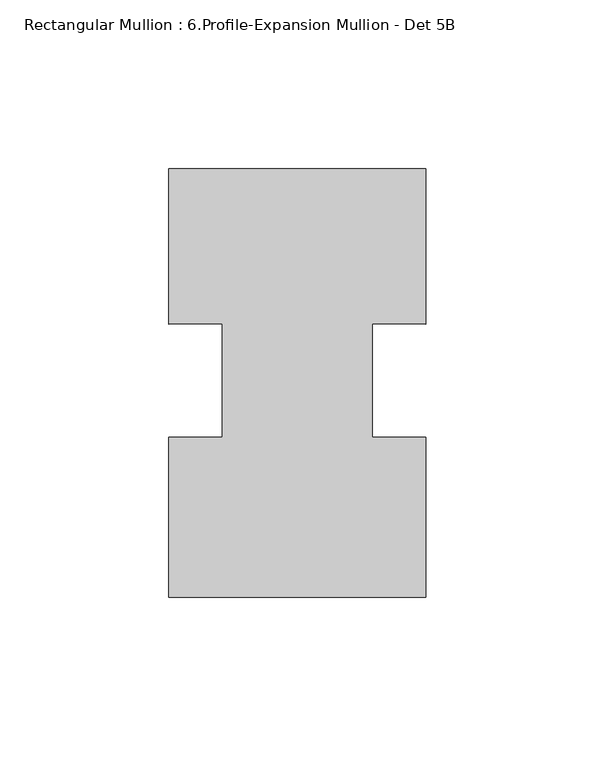
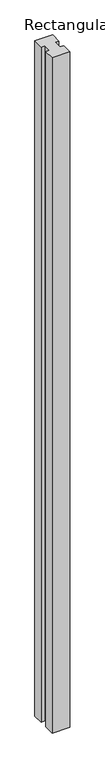
"""IFC4 building model written with IfcOpenShell, lengths in millimetres: member geometry, Rectangular Mullion : 6.Profile-Expansion Mullion - Det 5B."""

from ifc_helpers import new_model, si_unit, frame, origin, place, context, project, spatial, polyline, outline, extrude, source, transform, mapped, element, save


def rectangular_mullion_6_profile_expansion_mullion_det_5b_e275d9bb(model_context):
    return source(origin(), model_context, "Body", "SweptSolid", [
        extrude(outline(polyline([(0.0, -58.411345), (-76.1873, -58.411345), (-76.1873, -10.951445), (-60.3123, -10.951445), (-60.3123, 22.6733671), (-76.1746, 22.4794731), (-76.1746, 68.588655), (0.0, 68.588655), (0.0, 22.4794731), (-15.875, 22.6735223), (-15.875, -10.9519562), (0.0, -10.9519562), (0.0, -58.411345)])), frame((0.0, 0.0, -3048.0), z_axis=(0.0, 0.0, 1.0), x_axis=(1.0, 0.0, 0.0)), (0.0, 0.0, 1.0), 3048.0),
    ])


if __name__ == "__main__":
    model = new_model("IFC4")
    model_context = context("Model", 3, world=origin())
    ifc_project = project(units=[si_unit("LENGTHUNIT", "METRE", prefix="MILLI")], contexts=[model_context])
    site = spatial("IfcSite", under=ifc_project)
    building = spatial("IfcBuilding", under=site)
    placement = place(None, origin())
    rectangular_mullion_6_profile_expansion_mullion_det_5b_shape = rectangular_mullion_6_profile_expansion_mullion_det_5b_e275d9bb(model_context)
    element("IfcMember", 1, ObjectType="Rectangular Mullion : 6.Profile-Expansion Mullion - Det 5B", at=placement, inside=building, context=model_context, shape_type="MappedRepresentation", body=[
        mapped(rectangular_mullion_6_profile_expansion_mullion_det_5b_shape, transform((0.0, 0.0, 0.0), x_axis=(1.0, 0.0, 0.0), y_axis=(0.0, 1.0, 0.0), z_axis=(0.0, 0.0, 1.0))),
    ])
    save(model, "model.ifc")
